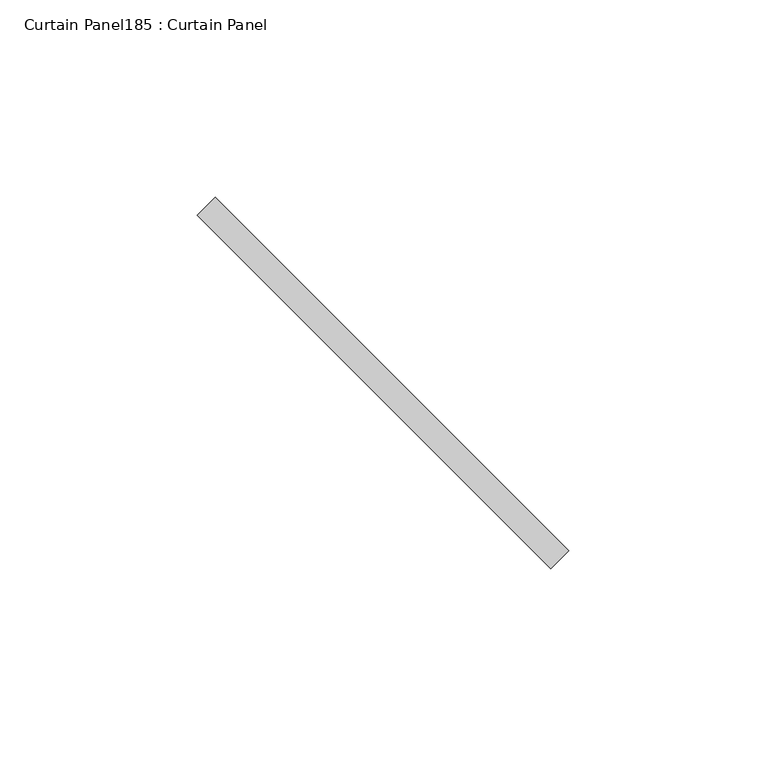
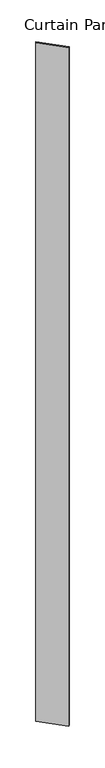
"""IFC4 building model written with IfcOpenShell, lengths in millimetres: plate geometry, Curtain Panel185 : Curtain Panel."""

import ifcopenshell
import ifcopenshell.guid

model = None  # the IFC model being written
_history = None  # IfcOwnerHistory: only IFC2X3 demands one
_inside = {}  # id of a spatial element -> (the spatial element, [elements in it])
_under = {}  # id of a project, library or spatial element -> (it, [spatial elements below it])
_declared = {}  # id of a project -> (the project, [libraries it declares])
_typed = {}  # id of a type object -> (the type object, [elements of that type])
_made_of = {}  # id of a material, layer set ... -> (it, [elements and type objects made of it])


def new_model(schema):
    """Start an empty IFC model of exactly this schema.

    Asked for "IFC4X3", IfcOpenShell would pick the latest addendum, in which some entities
    have other attributes; the version numbers below select the first issue.
    IFC2X3 requires an IfcOwnerHistory on every rooted entity: one is made here for all.
    """
    global model, _history
    if schema == "IFC4X3":
        model = ifcopenshell.file(schema_version=(4, 3, 0, 0))
    else:
        model = ifcopenshell.file(schema=schema)
    _inside.clear()
    _under.clear()
    _declared.clear()
    _typed.clear()
    _made_of.clear()
    _history = None
    if model.schema == "IFC2X3":
        org = make("IfcOrganization", Name="unknown")
        user = make(
            "IfcPersonAndOrganization",
            ThePerson=make("IfcPerson", FamilyName="unknown"),
            TheOrganization=org,
        )
        app = make(
            "IfcApplication",
            ApplicationDeveloper=org,
            Version="unknown",
            ApplicationFullName="unknown",
            ApplicationIdentifier="unknown",
        )
        _history = make(
            "IfcOwnerHistory",
            OwningUser=user,
            OwningApplication=app,
            ChangeAction="ADDED",
            CreationDate=0,
        )
    return model


def make(cls, **values):
    """One entity of the class cls with the attributes given. An attribute that is None is left unset."""
    return model.create_entity(
        cls, **{name: value for name, value in values.items() if value is not None}
    )


def rooted(cls, **values):
    """An entity with a GlobalId (a new one), such as an element, a storey or a relation."""
    return make(cls, GlobalId=ifcopenshell.guid.new(), OwnerHistory=_history, **values)


def si_unit(unit_type, name, prefix=None):
    """IfcSIUnit, for example si_unit("LENGTHUNIT", "METRE", prefix="MILLI")."""
    return make("IfcSIUnit", UnitType=unit_type, Prefix=prefix, Name=name)


def assignment(units):
    """IfcUnitAssignment: the units of a project."""
    return None if units is None else make("IfcUnitAssignment", Units=units)


def point(xyz):
    """IfcCartesianPoint."""
    return None if xyz is None else make("IfcCartesianPoint", Coordinates=xyz)


def direction(xyz):
    """IfcDirection."""
    return None if xyz is None else make("IfcDirection", DirectionRatios=xyz)


def frame(location, z_axis=None, x_axis=None):
    """IfcAxis2Placement3D, a coordinate frame: its origin and axes. An axis left out is left unset."""
    return make(
        "IfcAxis2Placement3D",
        Location=point(location),
        Axis=direction(z_axis),
        RefDirection=direction(x_axis),
    )


def origin():
    """The frame at (0, 0, 0) with its axes left unset."""
    return frame((0.0, 0.0, 0.0))


def place(relative_to, where):
    """IfcLocalPlacement: puts the frame where relative to a parent placement (None: the world)."""
    return make(
        "IfcLocalPlacement", PlacementRelTo=relative_to, RelativePlacement=where
    )


def context(
    kind, dimensions, precision=None, world=None, true_north=None, identifier=None
):
    """IfcGeometricRepresentationContext, for example the 3D "Model" context."""
    return make(
        "IfcGeometricRepresentationContext",
        ContextIdentifier=identifier,
        ContextType=kind,
        CoordinateSpaceDimension=dimensions,
        Precision=precision,
        WorldCoordinateSystem=world,
        TrueNorth=true_north,
    )


def project(units=None, contexts=None):
    """IfcProject with its units and contexts."""
    return rooted(
        "IfcProject",
        Name="project",
        RepresentationContexts=contexts,
        UnitsInContext=assignment(units),
    )


def spatial(cls, under=None, at=None, **own):
    """A site, building, storey or space (cls), placed at a placement, below another one or the project."""
    s = rooted(cls, ObjectPlacement=at, **own)
    if under is not None:
        _under.setdefault(under.id(), (under, []))[1].append(s)
    return s


def polyline(points):
    """IfcPolyline through the points."""
    return make("IfcPolyline", Points=[point(p) for p in points])


def outline(outer, holes=None, kind="AREA"):
    """IfcArbitraryClosedProfileDef: a profile drawn as a closed curve; with holes, ...WithVoids."""
    if holes is None:
        return make("IfcArbitraryClosedProfileDef", ProfileType=kind, OuterCurve=outer)
    return make(
        "IfcArbitraryProfileDefWithVoids",
        ProfileType=kind,
        OuterCurve=outer,
        InnerCurves=holes,
    )


def extrude(swept, where, along, depth):
    """IfcExtrudedAreaSolid: the profile swept, set in the frame where, extruded along a direction by depth."""
    return make(
        "IfcExtrudedAreaSolid",
        SweptArea=swept,
        Position=where,
        ExtrudedDirection=direction(along),
        Depth=depth,
    )


def shape(context_of_items, identifier, shape_type, items):
    """IfcShapeRepresentation: the items that make up one representation, for example the "Body"."""
    return make(
        "IfcShapeRepresentation",
        ContextOfItems=context_of_items,
        RepresentationIdentifier=identifier,
        RepresentationType=shape_type,
        Items=items,
    )


def source(mapping_origin, context_of_items, identifier, shape_type, items):
    """IfcRepresentationMap: a shape defined once, which mapped items show again and again."""
    return make(
        "IfcRepresentationMap",
        MappingOrigin=mapping_origin,
        MappedRepresentation=shape(context_of_items, identifier, shape_type, items),
    )


def transform(
    local_origin,
    x_axis=None,
    y_axis=None,
    z_axis=None,
    scale=None,
    scale2=None,
    scale3=None,
    uniform=True,
):
    """IfcCartesianTransformationOperator3D, or its non-uniform kind. x_axis, y_axis, z_axis: its Axis1, 2, 3."""
    if uniform:
        return make(
            "IfcCartesianTransformationOperator3D",
            Axis1=direction(x_axis),
            Axis2=direction(y_axis),
            LocalOrigin=point(local_origin),
            Scale=scale,
            Axis3=direction(z_axis),
        )
    return make(
        "IfcCartesianTransformationOperator3DnonUniform",
        Axis1=direction(x_axis),
        Axis2=direction(y_axis),
        LocalOrigin=point(local_origin),
        Scale=scale,
        Axis3=direction(z_axis),
        Scale2=scale2,
        Scale3=scale3,
    )


def mapped(mapping_source, mapping_target):
    """IfcMappedItem: shows the shape of a source again, moved by a transform."""
    return make(
        "IfcMappedItem", MappingSource=mapping_source, MappingTarget=mapping_target
    )


def made_of(thing, what):
    """Note that an element or type object is made of a material, layer set ...; save() writes the relation."""
    if what is not None:
        _made_of.setdefault(what.id(), (what, []))[1].append(thing)
    return thing


def element(
    cls,
    number,
    at=None,
    inside=None,
    cuts=None,
    type_object=None,
    material=None,
    context=None,
    identifier="Body",
    shape_type=None,
    held_by="IfcProductDefinitionShape",
    body=None,
    shapes=None,
    **own,
):
    """One element of the class cls, such as IfcWall. Its Tag is "e" and its number.

    at: its placement. inside: the storey or other place that contains it. cuts: it is an
    opening in that element (IfcRelVoidsElement). A single representation is given by context,
    identifier, shape_type and body (its items); several are given by shapes. held_by: the class
    of the entity that holds the representations. save() writes the other relations.
    """
    e = rooted(cls, Tag="e%d" % number, ObjectPlacement=at, **own)
    if body is not None:
        shapes = [shape(context, identifier, shape_type, body)]
    if shapes is not None:
        e.Representation = make(held_by, Representations=shapes)
    if inside is not None:
        _inside.setdefault(inside.id(), (inside, []))[1].append(e)
    if cuts is not None:
        rooted(
            "IfcRelVoidsElement", RelatingBuildingElement=cuts, RelatedOpeningElement=e
        )
    if type_object is not None:
        _typed.setdefault(type_object.id(), (type_object, []))[1].append(e)
    return made_of(e, material)


def aggregate(whole, parts):
    """IfcRelAggregates: a whole, such as a stair, and the parts it consists of."""
    return rooted("IfcRelAggregates", RelatingObject=whole, RelatedObjects=parts)


def save(model, path):
    """Write the relations noted so far, then the file.

    IfcRelAggregates (storeys below a building ...), IfcRelContainedInSpatialStructure (elements
    in a storey), IfcRelDefinesByType, IfcRelAssociatesMaterial and IfcRelDeclares: one each for
    every whole, place, type object, material and project.
    """
    for whole, parts in _under.values():
        aggregate(whole, parts)
    for where, things in _inside.values():
        rooted(
            "IfcRelContainedInSpatialStructure",
            RelatedElements=things,
            RelatingStructure=where,
        )
    for kind, things in _typed.values():
        rooted("IfcRelDefinesByType", RelatedObjects=things, RelatingType=kind)
    for what, things in _made_of.values():
        rooted("IfcRelAssociatesMaterial", RelatedObjects=things, RelatingMaterial=what)
    for by, libraries in _declared.values():
        rooted("IfcRelDeclares", RelatingContext=by, RelatedDefinitions=libraries)
    model.write(path)


def curtain_panel185_curtain_panel_38a72025(model_context):
    return source(origin(), model_context, "Body", "SweptSolid", [
        extrude(outline(polyline([(589844.1143587, 2388.6570424), (589754.5637676, 2478.2076335), (589759.0538957, 2482.6977616), (589848.6044868, 2393.1471705), (589844.1143587, 2388.6570424)])), frame((0.0, 0.0, 4959.7989371), z_axis=(0.0, 0.0, 1.0), x_axis=(1.0, 0.0, 0.0)), (0.0, 0.0, 1.0), 3048.0),
    ])


if __name__ == "__main__":
    model = new_model("IFC4")
    model_context = context("Model", 3, world=origin())
    ifc_project = project(units=[si_unit("LENGTHUNIT", "METRE", prefix="MILLI")], contexts=[model_context])
    site = spatial("IfcSite", under=ifc_project)
    building = spatial("IfcBuilding", under=site)
    placement = place(None, origin())
    curtain_panel185_curtain_panel_shape = curtain_panel185_curtain_panel_38a72025(model_context)
    element("IfcPlate", 1, ObjectType="Curtain Panel185 : Curtain Panel", at=placement, inside=building, context=model_context, shape_type="MappedRepresentation", body=[
        mapped(curtain_panel185_curtain_panel_shape, transform((0.0, 0.0, 0.0), x_axis=(1.0, 0.0, 0.0), y_axis=(0.0, 1.0, 0.0), z_axis=(0.0, 0.0, 1.0))),
    ])
    save(model, "model.ifc")
